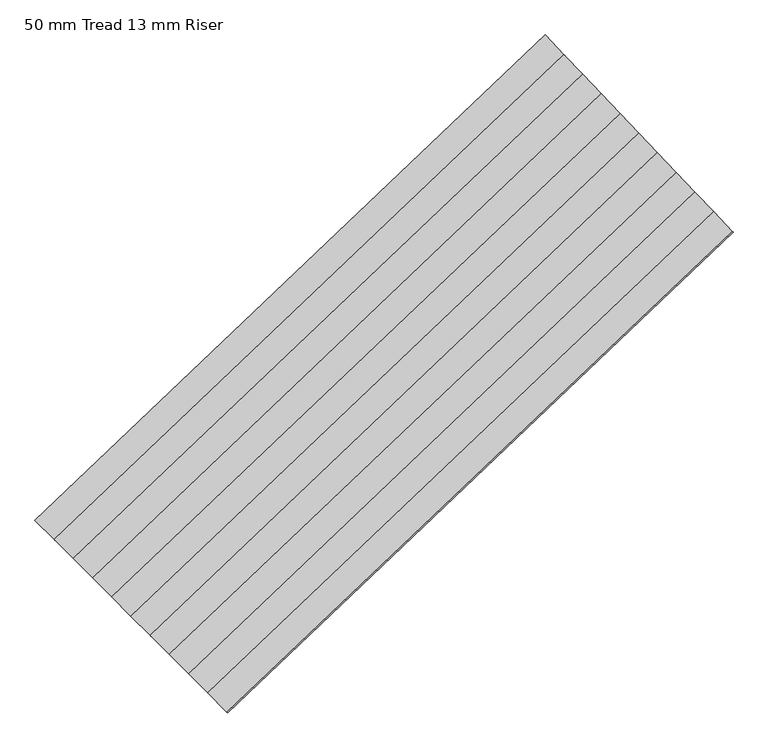
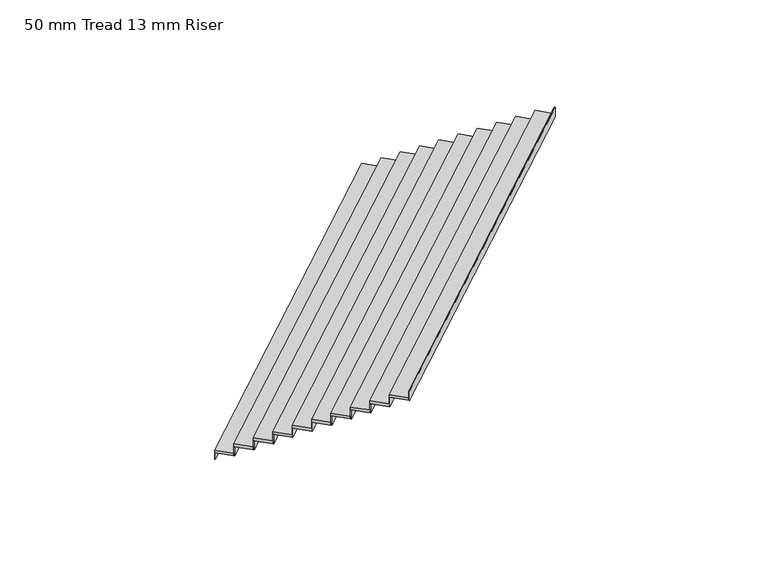
"""IFC4 building model written with IfcOpenShell, lengths in millimetres: stair flight geometry, 50 mm Tread 13 mm Riser."""

from ifc_helpers import new_model, si_unit, frame, origin, place, context, project, spatial, polyline, outline, extrude, source, transform, mapped, element, save


def stair_flight_50_mm_tread_13_mm_riser_feccb63d(model_context):
    return source(origin(), model_context, "Body", "SweptSolid", [
        extrude(outline(polyline([(-200913.6067544, 10994.58797), (-200922.4482957, 11003.4295112), (-195282.9089566, 16370.5668677), (-195274.2915111, 16361.512055), (-200913.6067544, 10994.58797)])), frame((0.0, 0.0, 8680.0), z_axis=(0.0, 0.0, 1.0), x_axis=(1.0, 0.0, 0.0)), (0.0, 0.0, 1.0), 116.6666667),
        extrude(outline(polyline([(-195076.0902633, 16153.2513641), (-200710.2513055, 10791.2325211), (-200922.4482957, 11003.4295112), (-195282.9089566, 16370.5668677), (-195076.0902633, 16153.2513641)])), frame((0.0, 0.0, 8796.6666667), z_axis=(0.0, 0.0, 1.0), x_axis=(1.0, 0.0, 0.0)), (0.0, 0.0, 1.0), 50.0),
        extrude(outline(polyline([(-200701.4097643, 10782.3909798), (-200710.2513055, 10791.2325211), (-195076.0902633, 16153.2513641), (-195067.4728177, 16144.1965515), (-200701.4097643, 10782.3909798)])), frame((0.0, 0.0, 8796.6666667), z_axis=(0.0, 0.0, 1.0), x_axis=(1.0, 0.0, 0.0)), (0.0, 0.0, 1.0), 166.6666667),
        extrude(outline(polyline([(-194869.2715699, 15935.9358606), (-200498.0543154, 10579.0355309), (-200710.2513055, 10791.2325211), (-195076.0902633, 16153.2513641), (-194869.2715699, 15935.9358606)])), frame((0.0, 0.0, 8963.3333333), z_axis=(0.0, 0.0, 1.0), x_axis=(1.0, 0.0, 0.0)), (0.0, 0.0, 1.0), 50.0),
        extrude(outline(polyline([(-200489.2127741, 10570.1939897), (-200498.0543154, 10579.0355309), (-194869.2715699, 15935.9358606), (-194860.6541244, 15926.8810479), (-200489.2127741, 10570.1939897)])), frame((0.0, 0.0, 8963.3333333), z_axis=(0.0, 0.0, 1.0), x_axis=(1.0, 0.0, 0.0)), (0.0, 0.0, 1.0), 166.6666667),
        extrude(outline(polyline([(-194662.4528766, 15718.620357), (-200285.8573252, 10366.8385408), (-200498.0543154, 10579.0355309), (-194869.2715699, 15935.9358606), (-194662.4528766, 15718.620357)])), frame((0.0, 0.0, 9130.0), z_axis=(0.0, 0.0, 1.0), x_axis=(1.0, 0.0, 0.0)), (0.0, 0.0, 1.0), 50.0),
        extrude(outline(polyline([(-200277.015784, 10357.9969995), (-200285.8573252, 10366.8385408), (-194662.4528766, 15718.620357), (-194653.835431, 15709.5655444), (-200277.015784, 10357.9969995)])), frame((0.0, 0.0, 9130.0), z_axis=(0.0, 0.0, 1.0), x_axis=(1.0, 0.0, 0.0)), (0.0, 0.0, 1.0), 166.6666667),
        extrude(outline(polyline([(-194455.6341832, 15501.3048535), (-200073.6603351, 10154.6415506), (-200285.8573252, 10366.8385408), (-194662.4528766, 15718.620357), (-194455.6341832, 15501.3048535)])), frame((0.0, 0.0, 9296.6666667), z_axis=(0.0, 0.0, 1.0), x_axis=(1.0, 0.0, 0.0)), (0.0, 0.0, 1.0), 50.0),
        extrude(outline(polyline([(-200064.8187938, 10145.8000094), (-200073.6603351, 10154.6415506), (-194455.6341832, 15501.3048535), (-194447.0167377, 15492.2500408), (-200064.8187938, 10145.8000094)])), frame((0.0, 0.0, 9296.6666667), z_axis=(0.0, 0.0, 1.0), x_axis=(1.0, 0.0, 0.0)), (0.0, 0.0, 1.0), 166.6666667),
        extrude(outline(polyline([(-194248.8154899, 15283.9893499), (-199861.4633449, 9942.4445605), (-200073.6603351, 10154.6415506), (-194455.6341832, 15501.3048535), (-194248.8154899, 15283.9893499)])), frame((0.0, 0.0, 9463.3333333), z_axis=(0.0, 0.0, 1.0), x_axis=(1.0, 0.0, 0.0)), (0.0, 0.0, 1.0), 50.0),
        extrude(outline(polyline([(-199852.6218037, 9933.6030192), (-199861.4633449, 9942.4445605), (-194248.8154899, 15283.9893499), (-194240.1980443, 15274.9345373), (-199852.6218037, 9933.6030192)])), frame((0.0, 0.0, 9463.3333333), z_axis=(0.0, 0.0, 1.0), x_axis=(1.0, 0.0, 0.0)), (0.0, 0.0, 1.0), 166.6666667),
        extrude(outline(polyline([(-194041.9967965, 15066.6738464), (-199649.2663548, 9730.2475703), (-199861.4633449, 9942.4445605), (-194248.8154899, 15283.9893499), (-194041.9967965, 15066.6738464)])), frame((0.0, 0.0, 9630.0), z_axis=(0.0, 0.0, 1.0), x_axis=(1.0, 0.0, 0.0)), (0.0, 0.0, 1.0), 50.0),
        extrude(outline(polyline([(-199640.4248135, 9721.4060291), (-199649.2663548, 9730.2475703), (-194041.9967965, 15066.6738464), (-194033.379351, 15057.6190338), (-199640.4248135, 9721.4060291)])), frame((0.0, 0.0, 9630.0), z_axis=(0.0, 0.0, 1.0), x_axis=(1.0, 0.0, 0.0)), (0.0, 0.0, 1.0), 166.6666667),
        extrude(outline(polyline([(-193835.1781032, 14849.3583429), (-199437.0693646, 9518.0505802), (-199649.2663548, 9730.2475703), (-194041.9967965, 15066.6738464), (-193835.1781032, 14849.3583429)])), frame((0.0, 0.0, 9796.6666667), z_axis=(0.0, 0.0, 1.0), x_axis=(1.0, 0.0, 0.0)), (0.0, 0.0, 1.0), 50.0),
        extrude(outline(polyline([(-199428.2278234, 9509.2090389), (-199437.0693646, 9518.0505802), (-193835.1781032, 14849.3583429), (-193826.5606576, 14840.3035302), (-199428.2278234, 9509.2090389)])), frame((0.0, 0.0, 9796.6666667), z_axis=(0.0, 0.0, 1.0), x_axis=(1.0, 0.0, 0.0)), (0.0, 0.0, 1.0), 166.6666667),
        extrude(outline(polyline([(-193628.3594098, 14632.0428393), (-199224.8723745, 9305.8535901), (-199437.0693646, 9518.0505802), (-193835.1781032, 14849.3583429), (-193628.3594098, 14632.0428393)])), frame((0.0, 0.0, 9963.3333333), z_axis=(0.0, 0.0, 1.0), x_axis=(1.0, 0.0, 0.0)), (0.0, 0.0, 1.0), 50.0),
        extrude(outline(polyline([(-199216.0308332, 9297.0120488), (-199224.8723745, 9305.8535901), (-193628.3594098, 14632.0428393), (-193619.7419643, 14622.9880267), (-199216.0308332, 9297.0120488)])), frame((0.0, 0.0, 9963.3333333), z_axis=(0.0, 0.0, 1.0), x_axis=(1.0, 0.0, 0.0)), (0.0, 0.0, 1.0), 166.6666667),
        extrude(outline(polyline([(-193421.5407165, 14414.7273358), (-199012.6753843, 9093.6565999), (-199224.8723745, 9305.8535901), (-193628.3594098, 14632.0428393), (-193421.5407165, 14414.7273358)])), frame((0.0, 0.0, 10130.0), z_axis=(0.0, 0.0, 1.0), x_axis=(1.0, 0.0, 0.0)), (0.0, 0.0, 1.0), 50.0),
        extrude(outline(polyline([(-199003.8338431, 9084.8150586), (-199012.6753843, 9093.6565999), (-193421.5407165, 14414.7273358), (-193412.9232709, 14405.6725231), (-199003.8338431, 9084.8150586)])), frame((0.0, 0.0, 10130.0), z_axis=(0.0, 0.0, 1.0), x_axis=(1.0, 0.0, 0.0)), (0.0, 0.0, 1.0), 166.6666667),
        extrude(outline(polyline([(-198791.6368529, 8872.6180685), (-198800.4783942, 8881.4596098), (-193214.7220231, 14197.4118322), (-193206.1045776, 14188.3570196), (-198791.6368529, 8872.6180685)])), frame((0.0, 0.0, 10296.6666667), z_axis=(0.0, 0.0, 1.0), x_axis=(1.0, 0.0, 0.0)), (0.0, 0.0, 1.0), 166.6666667),
        extrude(outline(polyline([(-193214.7220231, 14197.4118322), (-198800.4783942, 8881.4596098), (-199012.6753843, 9093.6565999), (-193421.5407165, 14414.7273358), (-193214.7220231, 14197.4118322)])), frame((0.0, 0.0, 10296.6666667), z_axis=(0.0, 0.0, 1.0), x_axis=(1.0, 0.0, 0.0)), (0.0, 0.0, 1.0), 50.0),
    ])


if __name__ == "__main__":
    model = new_model("IFC4")
    model_context = context("Model", 3, world=origin())
    ifc_project = project(units=[si_unit("LENGTHUNIT", "METRE", prefix="MILLI")], contexts=[model_context])
    site = spatial("IfcSite", under=ifc_project)
    building = spatial("IfcBuilding", under=site)
    placement = place(None, origin())
    stair_flight_50_mm_tread_13_mm_riser_shape = stair_flight_50_mm_tread_13_mm_riser_feccb63d(model_context)
    element("IfcStairFlight", 1, ObjectType="50 mm Tread 13 mm Riser", at=placement, inside=building, context=model_context, shape_type="MappedRepresentation", body=[
        mapped(stair_flight_50_mm_tread_13_mm_riser_shape, transform((0.0, 0.0, 0.0), x_axis=(1.0, 0.0, 0.0), y_axis=(0.0, 1.0, 0.0), z_axis=(0.0, 0.0, 1.0))),
    ])
    save(model, "model.ifc")
